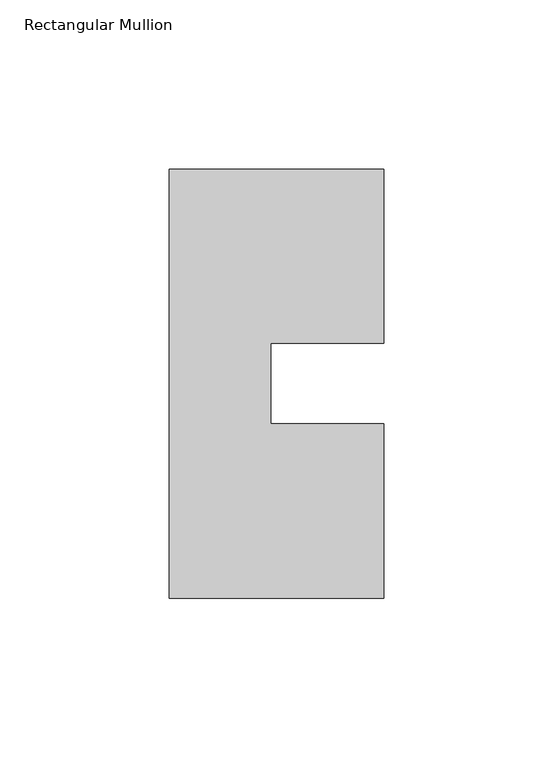
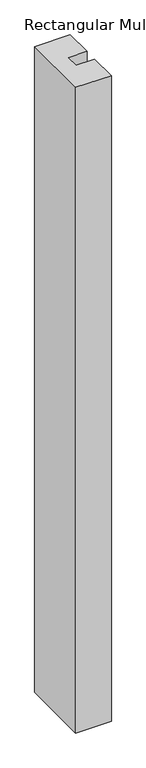
"""IFC4 building model written with IfcOpenShell, lengths in millimetres: member geometry, Rectangular Mullion."""

from ifc_helpers import new_model, si_unit, frame, origin, place, context, project, spatial, polyline, outline, extrude, source, transform, mapped, element, save


def rectangular_mullion_85b1fb0f(model_context):
    return source(origin(), model_context, "Body", "SweptSolid", [
        extrude(outline(polyline([(-31.75, 127.00635), (31.75, 127.00635), (31.75, 75.40625), (-1.5748, 75.40625), (-1.5748, 51.60645), (31.75, 51.60645), (31.75, 0.00635), (-31.75, 0.00635), (-31.75, 127.00635)])), frame((0.0, 0.0, -1219.2), z_axis=(0.0, 0.0, 1.0), x_axis=(1.0, 0.0, 0.0)), (0.0, 0.0, 1.0), 1219.2),
    ])


if __name__ == "__main__":
    model = new_model("IFC4")
    model_context = context("Model", 3, world=origin())
    ifc_project = project(units=[si_unit("LENGTHUNIT", "METRE", prefix="MILLI")], contexts=[model_context])
    site = spatial("IfcSite", under=ifc_project)
    building = spatial("IfcBuilding", under=site)
    placement = place(None, origin())
    rectangular_mullion_shape = rectangular_mullion_85b1fb0f(model_context)
    element("IfcMember", 1, ObjectType="Rectangular Mullion", at=placement, inside=building, context=model_context, shape_type="MappedRepresentation", body=[
        mapped(rectangular_mullion_shape, transform((0.0, 0.0, 0.0), x_axis=(1.0, 0.0, 0.0), y_axis=(0.0, 1.0, 0.0), z_axis=(0.0, 0.0, 1.0))),
    ])
    save(model, "model.ifc")
